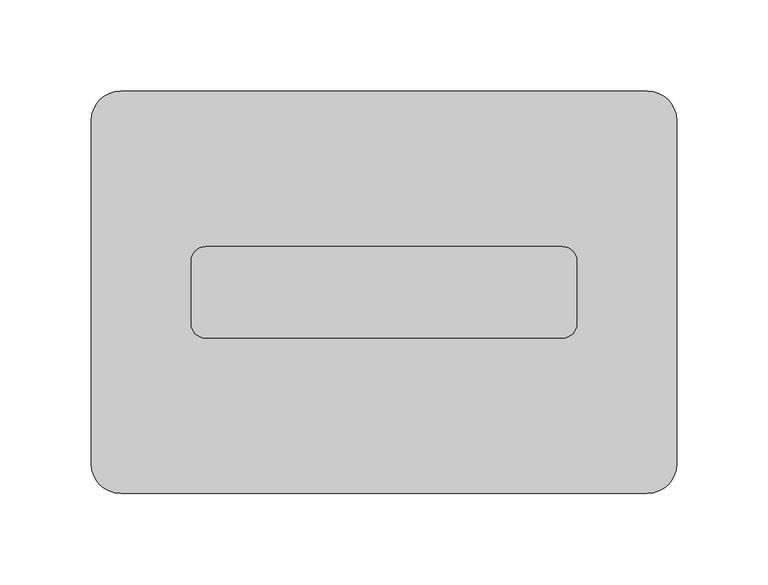
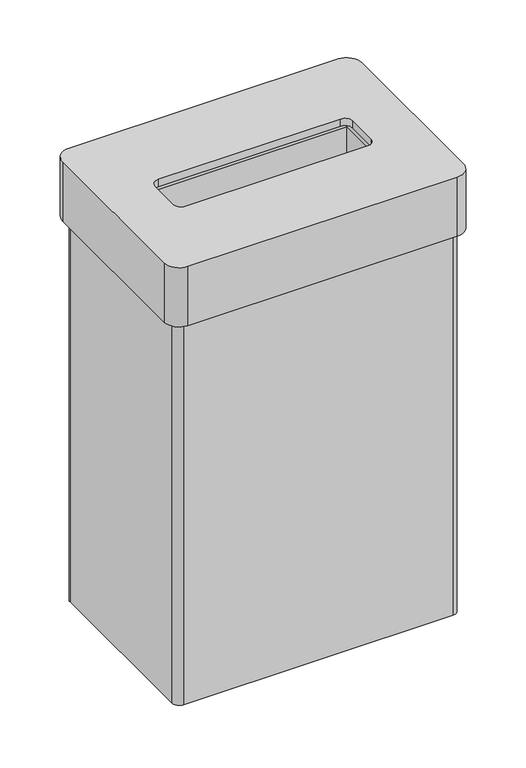
"""IFC4 building model written with IfcOpenShell, lengths in millimetres: furniture geometry."""

from ifc_helpers import new_model, si_unit, frame, origin, place, context, project, spatial, polyline, circle_curve, source, transform, mapped, element, save
from ifc_brep_helpers import plane_surface, cylinder_surface, revolved_surface, advanced_brep


def furniture_7778d06f(model_context):
    return source(origin(), model_context, "Body", "AdvancedBrep", [
        advanced_brep(
        [(144.0, 110.0, 500.0), (-144.0, 110.0, 500.0), (-160.0, 94.0, 500.0), (-160.0, -94.0, 500.0), (-144.0, -110.0, 500.0), (144.0, -110.0, 500.0), (160.0, -94.0, 500.0), (160.0, 94.0, 500.0), (97.5, 25.0, 500.0), (105.5, 17.0, 500.0), (105.5, -17.0, 500.0), (97.5, -25.0, 500.0), (-97.5, -25.0, 500.0), (-105.5, -17.0, 500.0), (-105.5, 17.0, 500.0), (-97.5, 25.0, 500.0), (144.0, 110.0, 433.0), (160.0, 94.0, 433.0), (160.0, -94.0, 433.0), (144.0, -110.0, 433.0), (-144.0, -110.0, 433.0), (-160.0, -94.0, 433.0), (-160.0, 94.0, 433.0), (-144.0, 110.0, 433.0), (144.0, 94.0, 433.0), (-144.0, 94.0, 433.0), (-144.0, -94.0, 433.0), (144.0, -94.0, 433.0), (144.0, -94.0, 492.0), (144.0, 94.0, 492.0), (-144.0, -94.0, 492.0), (-144.0, 94.0, 492.0), (97.5, 25.0, 492.0), (-97.5, 25.0, 492.0), (-105.5, 17.0, 492.0), (-105.5, -17.0, 492.0), (-97.5, -25.0, 492.0), (97.5, -25.0, 492.0), (105.5, -17.0, 492.0), (105.5, 17.0, 492.0)],
        [
            (0, 1),
            (1, 2, circle_curve(frame((-144.0, 94.0, 500.0), z_axis=(0.0, 0.0, 1.0), x_axis=(1.0, 0.0, 0.0)), 16.0)),
            (2, 3),
            (3, 4, circle_curve(frame((-144.0, -94.0, 500.0), z_axis=(0.0, 0.0, 1.0), x_axis=(1.0, 0.0, 0.0)), 16.0)),
            (4, 5),
            (5, 6, circle_curve(frame((144.0, -94.0, 500.0), z_axis=(0.0, 0.0, 1.0), x_axis=(1.0, 0.0, 0.0)), 16.0)),
            (6, 7),
            (7, 0, circle_curve(frame((144.0, 94.0, 500.0), z_axis=(0.0, 0.0, 1.0), x_axis=(1.0, 0.0, 0.0)), 16.0)),
            (8, 9, circle_curve(frame((97.5, 17.0, 500.0), z_axis=(0.0, 0.0, -1.0), x_axis=(1.0, 0.0, 0.0)), 8.0)),
            (9, 10),
            (10, 11, circle_curve(frame((97.5, -17.0, 500.0), z_axis=(0.0, 0.0, -1.0), x_axis=(1.0, 0.0, 0.0)), 8.0)),
            (11, 12),
            (12, 13, circle_curve(frame((-97.5, -17.0, 500.0), z_axis=(0.0, 0.0, -1.0), x_axis=(1.0, 0.0, 0.0)), 8.0)),
            (13, 14),
            (14, 15, circle_curve(frame((-97.5, 17.0, 500.0), z_axis=(0.0, 0.0, -1.0), x_axis=(1.0, 0.0, 0.0)), 8.0)),
            (15, 8),
            (16, 17, circle_curve(frame((144.0, 94.0, 433.0), z_axis=(0.0, 0.0, -1.0), x_axis=(1.0, 0.0, 0.0)), 16.0)),
            (17, 18),
            (18, 19, circle_curve(frame((144.0, -94.0, 433.0), z_axis=(0.0, 0.0, -1.0), x_axis=(1.0, 0.0, 0.0)), 16.0)),
            (19, 20),
            (20, 21, circle_curve(frame((-144.0, -94.0, 433.0), z_axis=(0.0, 0.0, -1.0), x_axis=(1.0, 0.0, 0.0)), 16.0)),
            (21, 22),
            (22, 23, circle_curve(frame((-144.0, 94.0, 433.0), z_axis=(0.0, 0.0, -1.0), x_axis=(1.0, 0.0, 0.0)), 16.0)),
            (23, 16),
            (24, 25),
            (25, 26),
            (26, 27),
            (27, 24),
            (0, 16),
            (23, 1),
            (22, 2),
            (21, 3),
            (20, 4),
            (19, 5),
            (18, 6),
            (17, 7),
            (27, 28),
            (28, 29),
            (29, 24),
            (26, 30),
            (30, 28),
            (25, 31),
            (31, 30),
            (29, 31),
            (32, 33),
            (33, 34, circle_curve(frame((-97.5, 17.0, 492.0), z_axis=(0.0, 0.0, 1.0), x_axis=(1.0, 0.0, 0.0)), 8.0)),
            (34, 35),
            (35, 36, circle_curve(frame((-97.5, -17.0, 492.0), z_axis=(0.0, 0.0, 1.0), x_axis=(1.0, 0.0, 0.0)), 8.0)),
            (36, 37),
            (37, 38, circle_curve(frame((97.5, -17.0, 492.0), z_axis=(0.0, 0.0, 1.0), x_axis=(1.0, 0.0, 0.0)), 8.0)),
            (38, 39),
            (39, 32, circle_curve(frame((97.5, 17.0, 492.0), z_axis=(0.0, 0.0, 1.0), x_axis=(1.0, 0.0, 0.0)), 8.0)),
            (8, 32),
            (39, 9),
            (38, 10),
            (37, 11),
            (36, 12),
            (35, 13),
            (34, 14),
            (33, 15),
        ],
        [
            plane_surface(frame((144.0, 110.0, 500.0), z_axis=(0.0, 0.0, 1.0), x_axis=(-1.0, 0.0, 0.0))),
            plane_surface(frame((144.0, 110.0, 433.0), z_axis=(0.0, 0.0, -1.0), x_axis=(1.0, 0.0, 0.0))),
            plane_surface(frame((144.0, 110.0, 500.0), z_axis=(0.0, 1.0, 0.0), x_axis=(0.0, 0.0, -1.0))),
            cylinder_surface(frame((-144.0, 94.0, 433.0), z_axis=(0.0, 0.0, 1.0), x_axis=(1.0, 0.0, 0.0)), 16.0),
            plane_surface(frame((-160.0, 94.0, 500.0), z_axis=(-1.0, 0.0, 0.0), x_axis=(0.0, 0.0, -1.0))),
            cylinder_surface(frame((-144.0, -94.0, 433.0), z_axis=(0.0, 0.0, 1.0), x_axis=(1.0, 0.0, 0.0)), 16.0),
            plane_surface(frame((-144.0, -110.0, 500.0), z_axis=(0.0, -1.0, 0.0), x_axis=(0.0, 0.0, -1.0))),
            cylinder_surface(frame((144.0, -94.0, 433.0), z_axis=(0.0, 0.0, 1.0), x_axis=(1.0, 0.0, 0.0)), 16.0),
            plane_surface(frame((160.0, -94.0, 500.0), z_axis=(1.0, 0.0, 0.0), x_axis=(0.0, 0.0, -1.0))),
            cylinder_surface(frame((144.0, 94.0, 433.0), z_axis=(0.0, 0.0, 1.0), x_axis=(1.0, 0.0, 0.0)), 16.0),
            plane_surface(frame((144.0, 94.0, 500.0), z_axis=(-1.0, 0.0, 0.0), x_axis=(0.0, 0.0, -1.0))),
            plane_surface(frame((144.0, -94.0, 500.0), z_axis=(0.0, 1.0, 0.0), x_axis=(0.0, 0.0, -1.0))),
            plane_surface(frame((-144.0, -94.0, 500.0), z_axis=(1.0, 0.0, 0.0), x_axis=(0.0, 0.0, -1.0))),
            plane_surface(frame((-144.0, 94.0, 500.0), z_axis=(0.0, -1.0, 0.0), x_axis=(0.0, 0.0, -1.0))),
            plane_surface(frame((-144.0, 94.0, 492.0), z_axis=(0.0, 0.0, -1.0), x_axis=(1.0, 0.0, 0.0))),
            revolved_surface(polyline([(105.5, 17.0, 492.0), (105.5, 17.0, 500.0)]), (97.5, 17.0, 500.0), (0.0, 0.0, -1.0)),
            plane_surface(frame((105.5, 17.0, 500.0), z_axis=(-1.0, 0.0, 0.0), x_axis=(0.0, 0.0, -1.0))),
            revolved_surface(polyline([(105.5, -17.0, 492.0), (105.5, -17.0, 500.0)]), (97.5, -17.0, 500.0), (0.0, 0.0, -1.0)),
            plane_surface(frame((97.5, -25.0, 500.0), z_axis=(0.0, 1.0, 0.0), x_axis=(0.0, 0.0, -1.0))),
            revolved_surface(polyline([(-89.5, -17.0, 492.0), (-89.5, -17.0, 500.0)]), (-97.5, -17.0, 500.0), (0.0, 0.0, -1.0)),
            plane_surface(frame((-105.5, -17.0, 500.0), z_axis=(1.0, 0.0, 0.0), x_axis=(0.0, 0.0, -1.0))),
            revolved_surface(polyline([(-89.5, 17.0, 492.0), (-89.5, 17.0, 500.0)]), (-97.5, 17.0, 500.0), (0.0, 0.0, -1.0)),
            plane_surface(frame((-97.5, 25.0, 500.0), z_axis=(0.0, -1.0, 0.0), x_axis=(0.0, 0.0, -1.0))),
        ],
        [
            (0, [[1, 2, 3, 4, 5, 6, 7, 8], [9, 10, 11, 12, 13, 14, 15, 16]]),
            (1, [[17, 18, 19, 20, 21, 22, 23, 24], [25, 26, 27, 28]]),
            (2, [[-1, 29, -24, 30]]),
            (3, [[-2, -30, -23, 31]]),
            (4, [[-3, -31, -22, 32]]),
            (5, [[-4, -32, -21, 33]]),
            (6, [[-5, -33, -20, 34]]),
            (7, [[-6, -34, -19, 35]]),
            (8, [[-7, -35, -18, 36]]),
            (9, [[-8, -36, -17, -29]]),
            (10, [[-28, 37, 38, 39]]),
            (11, [[-27, 40, 41, -37]]),
            (12, [[-26, 42, 43, -40]]),
            (13, [[-25, -39, 44, -42]]),
            (14, [[-38, -41, -43, -44], [45, 46, 47, 48, 49, 50, 51, 52]]),
            (15, [[-9, 53, -52, 54]]),
            (16, [[-10, -54, -51, 55]]),
            (17, [[-11, -55, -50, 56]]),
            (18, [[-12, -56, -49, 57]]),
            (19, [[-13, -57, -48, 58]]),
            (20, [[-14, -58, -47, 59]]),
            (21, [[-15, -59, -46, 60]]),
            (22, [[-16, -60, -45, -53]]),
        ],
    ),
        advanced_brep(
        [(144.0, -94.0, 8.0), (144.0, 94.0, 8.0), (-144.0, 94.0, 8.0), (-144.0, -94.0, 8.0), (144.0, 102.0, 0.0), (152.0, 94.0, 0.0), (152.0, -94.0, 0.0), (144.0, -102.0, 0.0), (-144.0, -102.0, 0.0), (-152.0, -94.0, 0.0), (-152.0, 94.0, 0.0), (-144.0, 102.0, 0.0), (144.0, 102.0, 433.0), (-144.0, 102.0, 433.0), (-152.0, 94.0, 433.0), (-152.0, -94.0, 433.0), (-144.0, -102.0, 433.0), (144.0, -102.0, 433.0), (152.0, -94.0, 433.0), (152.0, 94.0, 433.0), (144.0, 94.0, 433.0), (144.0, -94.0, 433.0), (-144.0, -94.0, 433.0), (-144.0, 94.0, 433.0)],
        [
            (0, 1),
            (1, 2),
            (2, 3),
            (3, 0),
            (4, 5, circle_curve(frame((144.0, 94.0, 0.0), z_axis=(0.0, 0.0, -1.0), x_axis=(1.0, 0.0, 0.0)), 8.0)),
            (5, 6),
            (6, 7, circle_curve(frame((144.0, -94.0, 0.0), z_axis=(0.0, 0.0, -1.0), x_axis=(1.0, 0.0, 0.0)), 8.0)),
            (7, 8),
            (8, 9, circle_curve(frame((-144.0, -94.0, 0.0), z_axis=(0.0, 0.0, -1.0), x_axis=(1.0, 0.0, 0.0)), 8.0)),
            (9, 10),
            (10, 11, circle_curve(frame((-144.0, 94.0, 0.0), z_axis=(0.0, 0.0, -1.0), x_axis=(1.0, 0.0, 0.0)), 8.0)),
            (11, 4),
            (12, 13),
            (13, 14, circle_curve(frame((-144.0, 94.0, 433.0), z_axis=(0.0, 0.0, 1.0), x_axis=(1.0, 0.0, 0.0)), 8.0)),
            (14, 15),
            (15, 16, circle_curve(frame((-144.0, -94.0, 433.0), z_axis=(0.0, 0.0, 1.0), x_axis=(1.0, 0.0, 0.0)), 8.0)),
            (16, 17),
            (17, 18, circle_curve(frame((144.0, -94.0, 433.0), z_axis=(0.0, 0.0, 1.0), x_axis=(1.0, 0.0, 0.0)), 8.0)),
            (18, 19),
            (19, 12, circle_curve(frame((144.0, 94.0, 433.0), z_axis=(0.0, 0.0, 1.0), x_axis=(1.0, 0.0, 0.0)), 8.0)),
            (20, 21),
            (21, 22),
            (22, 23),
            (23, 20),
            (20, 1),
            (0, 21),
            (3, 22),
            (2, 23),
            (12, 4),
            (11, 13),
            (10, 14),
            (9, 15),
            (8, 16),
            (7, 17),
            (6, 18),
            (5, 19),
        ],
        [
            plane_surface(frame((-144.0, 94.0, 8.0), z_axis=(0.0, 0.0, 1.0), x_axis=(-1.0, 0.0, 0.0))),
            plane_surface(frame((-144.0, 94.0, 0.0), z_axis=(0.0, 0.0, -1.0), x_axis=(1.0, 0.0, 0.0))),
            plane_surface(frame((144.0, 94.0, 433.0), z_axis=(0.0, 0.0, 1.0), x_axis=(0.0, -1.0, 0.0))),
            plane_surface(frame((144.0, 94.0, 433.0), z_axis=(-1.0, 0.0, 0.0), x_axis=(0.0, 0.0, -1.0))),
            plane_surface(frame((144.0, -94.0, 433.0), z_axis=(0.0, 1.0, 0.0), x_axis=(0.0, 0.0, -1.0))),
            plane_surface(frame((-144.0, -94.0, 433.0), z_axis=(1.0, 0.0, 0.0), x_axis=(0.0, 0.0, -1.0))),
            plane_surface(frame((-144.0, 94.0, 433.0), z_axis=(0.0, -1.0, 0.0), x_axis=(0.0, 0.0, -1.0))),
            plane_surface(frame((144.0, 102.0, 433.0), z_axis=(0.0, 1.0, 0.0), x_axis=(0.0, 0.0, -1.0))),
            cylinder_surface(frame((-144.0, 94.0, 0.0), z_axis=(0.0, 0.0, 1.0), x_axis=(1.0, 0.0, 0.0)), 8.0),
            plane_surface(frame((-152.0, 94.0, 433.0), z_axis=(-1.0, 0.0, 0.0), x_axis=(0.0, 0.0, -1.0))),
            cylinder_surface(frame((-144.0, -94.0, 0.0), z_axis=(0.0, 0.0, 1.0), x_axis=(1.0, 0.0, 0.0)), 8.0),
            plane_surface(frame((-144.0, -102.0, 433.0), z_axis=(0.0, -1.0, 0.0), x_axis=(0.0, 0.0, -1.0))),
            cylinder_surface(frame((144.0, -94.0, 0.0), z_axis=(0.0, 0.0, 1.0), x_axis=(1.0, 0.0, 0.0)), 8.0),
            plane_surface(frame((152.0, -94.0, 433.0), z_axis=(1.0, 0.0, 0.0), x_axis=(0.0, 0.0, -1.0))),
            cylinder_surface(frame((144.0, 94.0, 0.0), z_axis=(0.0, 0.0, 1.0), x_axis=(1.0, 0.0, 0.0)), 8.0),
        ],
        [
            (0, [[1, 2, 3, 4]]),
            (1, [[5, 6, 7, 8, 9, 10, 11, 12]]),
            (2, [[13, 14, 15, 16, 17, 18, 19, 20], [21, 22, 23, 24]]),
            (3, [[-21, 25, -1, 26]]),
            (4, [[-22, -26, -4, 27]]),
            (5, [[-23, -27, -3, 28]]),
            (6, [[-24, -28, -2, -25]]),
            (7, [[-13, 29, -12, 30]]),
            (8, [[-14, -30, -11, 31]]),
            (9, [[-15, -31, -10, 32]]),
            (10, [[-16, -32, -9, 33]]),
            (11, [[-17, -33, -8, 34]]),
            (12, [[-18, -34, -7, 35]]),
            (13, [[-19, -35, -6, 36]]),
            (14, [[-20, -36, -5, -29]]),
        ],
    ),
    ])


if __name__ == "__main__":
    model = new_model("IFC4")
    model_context = context("Model", 3, world=origin())
    ifc_project = project(units=[si_unit("LENGTHUNIT", "METRE", prefix="MILLI")], contexts=[model_context])
    site = spatial("IfcSite", under=ifc_project)
    building = spatial("IfcBuilding", under=site)
    placement = place(None, origin())
    furniture_shape = furniture_7778d06f(model_context)
    element("IfcFurniture", 1, at=placement, inside=building, context=model_context, shape_type="MappedRepresentation", body=[
        mapped(furniture_shape, transform((0.0, 0.0, 0.0), x_axis=(1.0, 0.0, 0.0), y_axis=(0.0, 1.0, 0.0), z_axis=(0.0, 0.0, 1.0))),
    ])
    save(model, "model.ifc")
